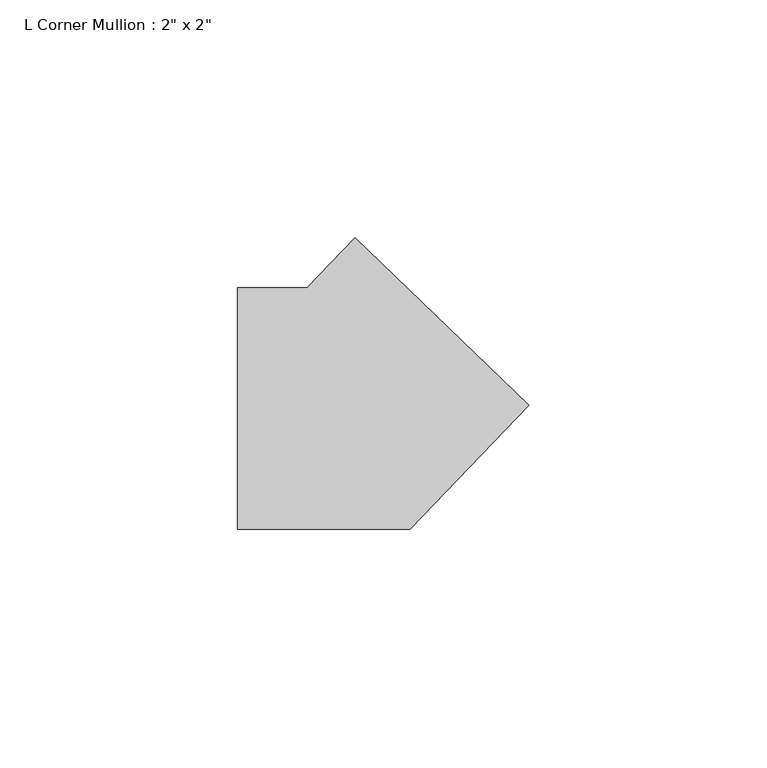
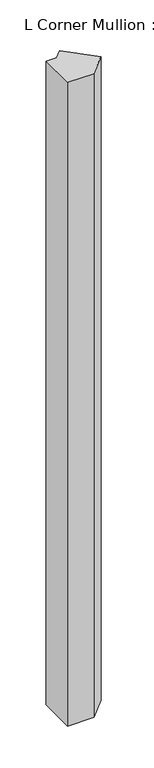
"""IFC4 building model written with IfcOpenShell, lengths in millimetres: member geometry."""

from ifc_helpers import new_model, si_unit, frame, origin, place, context, project, spatial, polyline, outline, extrude, source, transform, mapped, element, save


def member_876d46f4(model_context):
    return source(origin(), model_context, "Body", "SweptSolid", [
        extrude(outline(polyline([(35.913317, 0.7440862), (10.8305964, -25.4), (-25.4, -25.4), (-25.4, 25.4), (-10.8305964, 25.4), (-0.7440862, 35.913317), (35.913317, 0.7440862)])), frame((0.0, 0.0, -935.7635431), z_axis=(0.0, 0.0, 1.0), x_axis=(1.0, 0.0, 0.0)), (0.0, 0.0, 1.0), 935.7635431),
    ])


if __name__ == "__main__":
    model = new_model("IFC4")
    model_context = context("Model", 3, world=origin())
    ifc_project = project(units=[si_unit("LENGTHUNIT", "METRE", prefix="MILLI")], contexts=[model_context])
    site = spatial("IfcSite", under=ifc_project)
    building = spatial("IfcBuilding", under=site)
    placement = place(None, origin())
    member_shape = member_876d46f4(model_context)
    element("IfcMember", 1, ObjectType="L Corner Mullion : 2\" x 2\"", at=placement, inside=building, context=model_context, shape_type="MappedRepresentation", body=[
        mapped(member_shape, transform((0.0, 0.0, 0.0), x_axis=(1.0, 0.0, 0.0), y_axis=(0.0, 1.0, 0.0), z_axis=(0.0, 0.0, 1.0))),
    ])
    save(model, "model.ifc")
